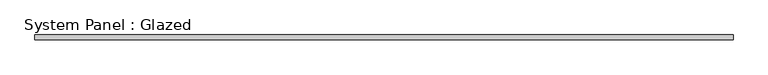
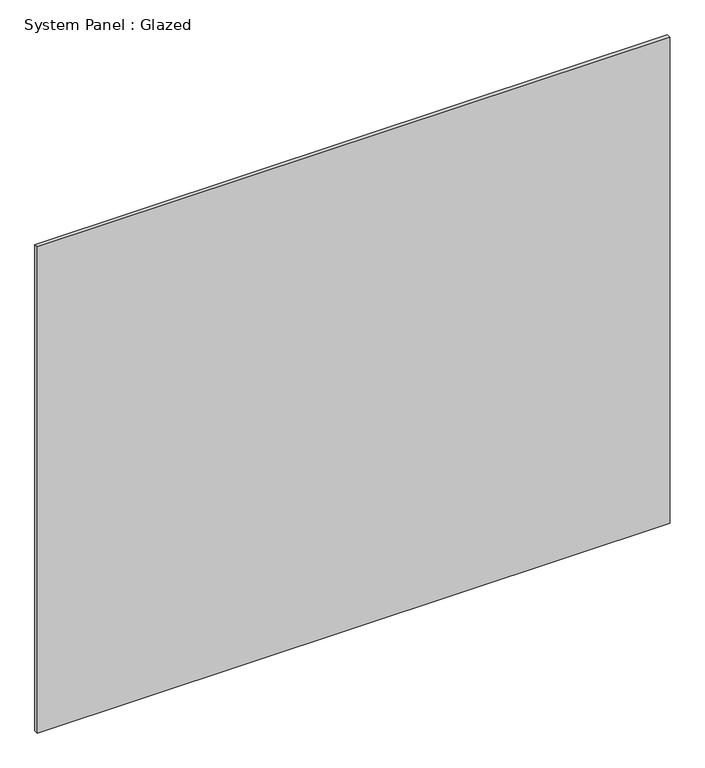
"""IFC4 building model written with IfcOpenShell, lengths in millimetres: plate geometry, System Panel : Glazed."""

from ifc_helpers import new_model, si_unit, origin, origin_with_axes, place, context, project, spatial, polyline, outline, extrude, source, transform, mapped, element, save


def system_panel_glazed_610971a1(model_context):
    return source(origin(), model_context, "Body", "SweptSolid", [
        extrude(outline(polyline([(1847.3279866, 24.5), (-1847.3279866, 24.5), (-1847.3279866, 49.5), (1847.3279866, 49.5), (1847.3279866, 24.5)])), origin_with_axes(), (0.0, 0.0, 1.0), 3000.0),
    ])


if __name__ == "__main__":
    model = new_model("IFC4")
    model_context = context("Model", 3, world=origin())
    ifc_project = project(units=[si_unit("LENGTHUNIT", "METRE", prefix="MILLI")], contexts=[model_context])
    site = spatial("IfcSite", under=ifc_project)
    building = spatial("IfcBuilding", under=site)
    placement = place(None, origin())
    system_panel_glazed_shape = system_panel_glazed_610971a1(model_context)
    element("IfcPlate", 1, ObjectType="System Panel : Glazed", at=placement, inside=building, context=model_context, shape_type="MappedRepresentation", body=[
        mapped(system_panel_glazed_shape, transform((0.0, 0.0, 0.0), x_axis=(1.0, 0.0, 0.0), y_axis=(0.0, 1.0, 0.0), z_axis=(0.0, 0.0, 1.0))),
    ])
    save(model, "model.ifc")
